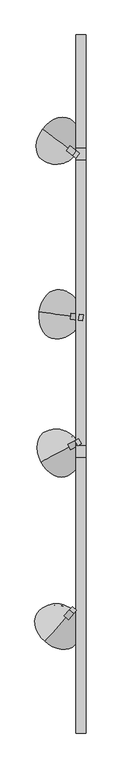
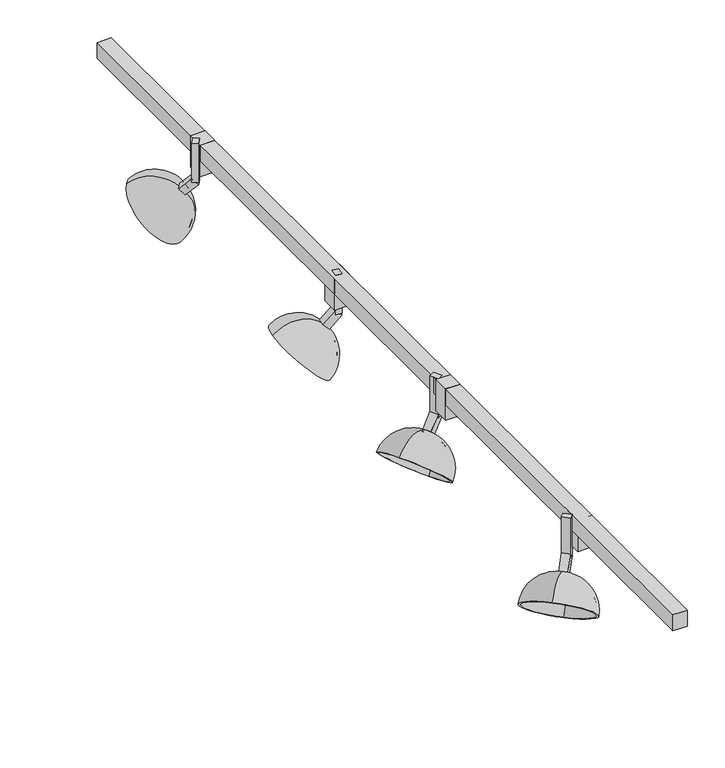
"""IFC4 building model written with IfcOpenShell, lengths in millimetres: light fixture geometry."""

from ifc_helpers import new_model, si_unit, point, frame, origin, place, context, project, spatial, polyline, circle_curve, ellipse_curve, trimmed, outline, extrude, source, transform, mapped, element, save
from ifc_brep_helpers import plane_surface, revolved_surface, advanced_brep


def light_fixture_020bd9e4(model_context):
    return source(origin(), model_context, "Body", "SolidModel", [
        extrude(outline(polyline([(21.1742761, 368.065558), (22.8812651, 380.6503181), (31.7800344, 379.4432947), (30.0730454, 366.8585345), (21.1742761, 368.065558)])), frame((0.0, 0.0, 2374.9), z_axis=(0.0, 0.0, 1.0), x_axis=(1.0, 0.0, 0.0)), (0.0, 0.0, 1.0), 63.5),
        extrude(outline(polyline([(0.0, 12.7), (25.4, 12.7), (25.4, 1e-07), (0.0, 0.0), (0.0, 12.7)])), frame((31.7800344, 379.4432947, 2371.9400614), z_axis=(-0.7006904927370674, 0.09504121941494607, 0.7071067811865517), x_axis=(-0.7006904927370755, 0.09504121941494717, -0.7071067811865435)), (0.0, 0.0, 1.0), 12.7),
        advanced_brep(
        [(10.9948777, 375.8544327, 2356.3160112), (10.9948777, 375.8544327, 2284.1890069), (-64.9270306, 386.1524328, 2360.8061393), (6.5454931, 376.4579445, 2360.8061393), (8.6290006, 376.1753388, 2353.9284695), (4.179616, 376.7788506, 2358.4185976), (8.6290006, 376.1753388, 2286.5765486), (-62.5611535, 385.8315267, 2358.4185976)],
        [
            (0, 1, circle_curve(frame((-24.7413841, 380.7016769, 2320.252509), z_axis=(0.13440858148108553, 0.9909259978546546, 0.0), x_axis=(-0.7006904927370693, 0.09504121941493318, 0.7071067811865517)), 51.0014938)),
            (1, 2, circle_curve(frame((-26.9660764, 381.0034328, 2322.4975731), z_axis=(0.7006904927370761, -0.09504121941494727, 0.707106781186543), x_axis=(-0.7006904927370676, 0.09504121941494285, 0.707106781186552)), 54.1764938)),
            (2, 3, circle_curve(frame((-29.1907687, 381.3051886, 2324.7426371), z_axis=(0.13440858148109247, 0.9909259978546537, 0.0), x_axis=(0.7006904927370673, -0.0950412194149429, -0.7071067811865523)), 51.0014938)),
            (3, 0, circle_curve(frame((8.7701854, 376.1561886, 2358.5610752), z_axis=(-0.7006904927370761, 0.09504121941494727, -0.707106781186543), x_axis=(-0.7006904927370676, 0.09504121941494285, 0.707106781186552)), 3.175)),
            (4, 0),
            (3, 5),
            (5, 4, circle_curve(frame((6.4043083, 376.4770947, 2356.1735335), z_axis=(-0.7006904927370761, 0.09504121941494727, -0.707106781186543), x_axis=(-0.7006904927370676, 0.09504121941494285, 0.707106781186552)), 3.175)),
            (6, 4, circle_curve(frame((-24.7413841, 380.7016769, 2320.252509), z_axis=(-0.13440858148109364, -0.9909259978546536, 0.0), x_axis=(-0.7006904927370677, 0.09504121941494462, 0.7071067811865517)), 47.625)),
            (5, 7, circle_curve(frame((-29.1907687, 381.3051886, 2324.7426371), z_axis=(-0.13440858148109247, -0.9909259978546537, 0.0), x_axis=(0.7006904927370673, -0.0950412194149429, -0.7071067811865523)), 47.625)),
            (7, 6, circle_curve(frame((-26.9660764, 381.0034328, 2322.4975731), z_axis=(-0.7006904927370761, 0.09504121941494727, -0.707106781186543), x_axis=(-0.7006904927370676, 0.09504121941494285, 0.707106781186552)), 50.8)),
            (1, 6),
            (7, 2),
            (2, 1, circle_curve(frame((-26.9660764, 381.0034328, 2322.4975731), z_axis=(0.7006904927370761, -0.09504121941494727, 0.707106781186543), x_axis=(0.7006904927370672, -0.09504121941494595, -0.707106781186552)), 54.1764938)),
            (0, 3, circle_curve(frame((8.7701854, 376.1561886, 2358.5610752), z_axis=(-0.7006904927370761, 0.09504121941494727, -0.707106781186543), x_axis=(0.7006904927370672, -0.09504121941494595, -0.707106781186552)), 3.175)),
            (4, 5, circle_curve(frame((6.4043083, 376.4770947, 2356.1735335), z_axis=(-0.7006904927370761, 0.09504121941494727, -0.707106781186543), x_axis=(0.7006904927370672, -0.09504121941494595, -0.707106781186552)), 3.175)),
            (6, 7, circle_curve(frame((-26.9660764, 381.0034328, 2322.4975731), z_axis=(-0.7006904927370761, 0.09504121941494727, -0.707106781186543), x_axis=(0.7006904927370672, -0.09504121941494595, -0.707106781186552)), 50.8)),
        ],
        [
            revolved_surface(trimmed(ellipse_curve(frame((-29.1907687, 381.3051886, 2324.7426371), z_axis=(0.13440858148109247, 0.9909259978546537, 0.0), x_axis=(0.7006904927370673, -0.0950412194149429, -0.7071067811865523)), 51.0014938, 51.0014938), [point((-64.9270306, 386.1524328, 2360.8061393))], [point((6.5454931, 376.4579445, 2360.8061393))], True, "CARTESIAN"), (-1664.2890037, 603.0888888, 670.1815264), (0.7006904927370761, -0.09504121941494727, 0.707106781186543)),
            revolved_surface(polyline([(6.5454931547435535, 376.45794451341686, 2360.8061392475574), (4.179615993413563, 376.77885060923165, 2358.4185975275377)]), (-1664.2890037, 603.0888888, 670.1815264), (0.7006904927370761, -0.09504121941494727, 0.707106781186543)),
            revolved_surface(trimmed(ellipse_curve(frame((-29.1907687, 381.3051886, 2324.7426371), z_axis=(-0.13440858148109247, -0.9909259978546537, 0.0), x_axis=(0.7006904927370673, -0.0950412194149429, -0.7071067811865523)), 47.625, 47.625), [point((4.179616, 376.7788506, 2358.4185976))], [point((-62.5611535, 385.8315267, 2358.4185976))], True, "CARTESIAN"), (-1664.2890037, 603.0888888, 670.1815264), (0.7006904927370761, -0.09504121941494727, 0.707106781186543)),
            plane_surface(frame((-26.9660764, 381.0034328, 2322.4975731), z_axis=(-0.700690492737076, 0.09504121941494724, -0.7071067811865432), x_axis=(-0.7006904927370676, 0.09504121941494285, 0.707106781186552))),
            revolved_surface(trimmed(ellipse_curve(frame((-24.7413841, 380.7016769, 2320.252509), z_axis=(-0.13440858148109466, -0.9909259978546534, 0.0), x_axis=(-0.7006904927370675, 0.09504121941494607, 0.7071067811865517)), 51.0014938, 51.0014938), [point((10.9948777, 375.8544327, 2284.1890069))], [point((10.9948777, 375.8544327, 2356.3160112))], True, "CARTESIAN"), (-1664.2890037, 603.0888888, 670.1815264), (0.7006904927370761, -0.09504121941494727, 0.707106781186543)),
            revolved_surface(polyline([(10.994877783624133, 375.85443277013206, 2356.316011187023), (8.629000622294143, 376.17533886594686, 2353.928469467003)]), (-1664.2890037, 603.0888888, 670.1815264), (0.7006904927370761, -0.09504121941494727, 0.707106781186543)),
            revolved_surface(trimmed(ellipse_curve(frame((-24.7413841, 380.7016769, 2320.252509), z_axis=(0.13440858148109466, 0.9909259978546534, 0.0), x_axis=(-0.7006904927370675, 0.09504121941494607, 0.7071067811865517)), 47.625, 47.625), [point((8.6290006, 376.1753388, 2353.9284695))], [point((8.6290006, 376.1753388, 2286.5765486))], True, "CARTESIAN"), (-1664.2890037, 603.0888888, 670.1815264), (0.7006904927370761, -0.09504121941494727, 0.707106781186543)),
            plane_surface(frame((-26.9660764, 381.0034328, 2322.4975731), z_axis=(-0.700690492737076, 0.09504121941494725, -0.7071067811865432), x_axis=(0.7006904927370672, -0.09504121941494595, -0.707106781186552))),
        ],
        [
            (0, [[1, 2, 3, 4]]),
            (1, [[5, -4, 6, 7]]),
            (2, [[8, -7, 9, 10]]),
            (3, [[11, -10, 12, -2]]),
            (4, [[-3, 13, -1, 14]]),
            (5, [[-6, -14, -5, 15]]),
            (6, [[-9, -15, -8, 16]]),
            (7, [[-12, -16, -11, -13]]),
        ],
    ),
        extrude(outline(polyline([(1.4066547, -263.8270711), (7.4156189, -257.1534402), (16.8535582, -265.6513989), (10.844594, -272.3250298), (1.4066547, -263.8270711)])), frame((0.0, 0.0, 2374.9), z_axis=(0.0, 0.0, 1.0), x_axis=(1.0, 0.0, 0.0)), (0.0, 0.0, 1.0), 63.5),
        extrude(outline(polyline([(12.7, -1e-07), (12.7, -12.7000001), (0.0, -12.7), (0.0, 0.0), (12.7, -1e-07)])), frame((-10.6112738, -277.1743328, 2362.9598052), z_axis=(0.4731467892558183, 0.5254827454987617, 0.7071067811865434), x_axis=(0.4731467892558127, 0.5254827454987554, -0.7071067811865519)), (0.0, 0.0, 1.0), 25.4),
        advanced_brep(
        [(-1.3244237, -276.3501671, 2356.3160112), (-4.3289058, -279.6869825, 2360.8061393), (-52.591292, -333.2877925, 2360.8061393), (-1.3244237, -276.3501671, 2284.1890069), (-2.9220009, -278.1244563, 2353.9284695), (-5.9264831, -281.4612717, 2358.4185976), (-2.9220009, -278.1244563, 2286.5765486), (-50.9937147, -331.5135033, 2358.4185976)],
        [
            (0, 1, circle_curve(frame((-2.8266648, -278.0185748, 2358.5610752), z_axis=(-0.47314678925581866, -0.5254827454987621, -0.7071067811865429), x_axis=(-0.4731467892558151, -0.5254827454987533, 0.707106781186552)), 3.175)),
            (1, 2, circle_curve(frame((-28.4600989, -306.4873875, 2324.7426371), z_axis=(0.7431448254773926, -0.6691306063588609, 0.0), x_axis=(0.4731467892558148, 0.5254827454987532, -0.7071067811865523)), 51.0014938)),
            (2, 3, circle_curve(frame((-26.9578578, -304.8189798, 2322.4975731), z_axis=(0.47314678925581866, 0.5254827454987621, 0.7071067811865429), x_axis=(-0.4731467892558151, -0.5254827454987533, 0.707106781186552)), 54.1764938)),
            (3, 0, circle_curve(frame((-25.4556168, -303.1505721, 2320.252509), z_axis=(0.7431448254773907, -0.669130606358863, 0.0), x_axis=(-0.4731467892558183, -0.5254827454987508, 0.7071067811865517)), 51.0014938)),
            (4, 5, circle_curve(frame((-4.424242, -279.792864, 2356.1735335), z_axis=(-0.47314678925581866, -0.5254827454987621, -0.7071067811865429), x_axis=(-0.4731467892558151, -0.5254827454987533, 0.707106781186552)), 3.175)),
            (5, 1),
            (0, 4),
            (6, 7, circle_curve(frame((-26.9578578, -304.8189798, 2322.4975731), z_axis=(-0.47314678925581866, -0.5254827454987621, -0.7071067811865429), x_axis=(-0.4731467892558151, -0.5254827454987533, 0.707106781186552)), 50.8)),
            (7, 5, circle_curve(frame((-28.4600989, -306.4873875, 2324.7426371), z_axis=(-0.7431448254773926, 0.6691306063588609, 0.0), x_axis=(0.4731467892558148, 0.5254827454987532, -0.7071067811865523)), 47.625)),
            (4, 6, circle_curve(frame((-25.4556168, -303.1505721, 2320.252509), z_axis=(-0.7431448254773879, 0.669130606358866, 0.0), x_axis=(-0.4731467892558226, -0.525482745498747, 0.7071067811865517)), 47.625)),
            (2, 7),
            (6, 3),
            (1, 0, circle_curve(frame((-2.8266648, -278.0185748, 2358.5610752), z_axis=(-0.47314678925581866, -0.5254827454987621, -0.7071067811865429), x_axis=(0.4731467892558128, 0.5254827454987553, -0.707106781186552)), 3.175)),
            (3, 2, circle_curve(frame((-26.9578578, -304.8189798, 2322.4975731), z_axis=(0.47314678925581866, 0.5254827454987621, 0.7071067811865429), x_axis=(0.4731467892558128, 0.5254827454987553, -0.707106781186552)), 54.1764938)),
            (5, 4, circle_curve(frame((-4.424242, -279.792864, 2356.1735335), z_axis=(-0.47314678925581866, -0.5254827454987621, -0.7071067811865429), x_axis=(0.4731467892558128, 0.5254827454987553, -0.707106781186552)), 3.175)),
            (7, 6, circle_curve(frame((-26.9578578, -304.8189798, 2322.4975731), z_axis=(-0.47314678925581866, -0.5254827454987621, -0.7071067811865429), x_axis=(0.4731467892558128, 0.5254827454987553, -0.707106781186552)), 50.8)),
        ],
        [
            revolved_surface(trimmed(ellipse_curve(frame((-28.4600989, -306.4873875, 2324.7426371), z_axis=(-0.7431448254773926, 0.6691306063588609, 0.0), x_axis=(0.4731467892558148, 0.5254827454987532, -0.7071067811865523)), 51.0014938, 51.0014938), [point((-52.591292, -333.2877925, 2360.8061393))], [point((-4.3289058, -279.6869825, 2360.8061393))], True, "CARTESIAN"), (-1132.573096, -1532.7290999, 670.1815264), (0.47314678925581877, 0.5254827454987622, 0.707106781186543)),
            revolved_surface(polyline([(-4.32890578322008, -279.68698246191775, 2360.806139260473), (-5.926483028103803, -281.46127174349203, 2358.418597531397)]), (-1132.573096, -1532.7290999, 670.1815264), (0.47314678925581877, 0.5254827454987622, 0.707106781186543)),
            revolved_surface(trimmed(ellipse_curve(frame((-28.4600989, -306.4873875, 2324.7426371), z_axis=(0.7431448254773926, -0.6691306063588609, 0.0), x_axis=(0.4731467892558148, 0.5254827454987532, -0.7071067811865523)), 47.625, 47.625), [point((-5.9264831, -281.4612717, 2358.4185976))], [point((-50.9937147, -331.5135033, 2358.4185976))], True, "CARTESIAN"), (-1132.573096, -1532.7290999, 670.1815264), (0.47314678925581877, 0.5254827454987622, 0.707106781186543)),
            plane_surface(frame((-26.9578578, -304.8189798, 2322.4975731), z_axis=(-0.4731467892558184, -0.5254827454987618, -0.7071067811865434), x_axis=(-0.473146789255815, -0.5254827454987532, 0.7071067811865519))),
            revolved_surface(trimmed(ellipse_curve(frame((-25.4556168, -303.1505721, 2320.252509), z_axis=(0.7431448254773941, -0.6691306063588593, 0.0), x_axis=(-0.473146789255813, -0.5254827454987556, 0.7071067811865517)), 51.0014938, 51.0014938), [point((-1.3244237, -276.3501671, 2284.1890069))], [point((-1.3244237, -276.3501671, 2356.3160112))], True, "CARTESIAN"), (-1132.573096, -1532.7290999, 670.1815264), (0.47314678925581877, 0.5254827454987622, 0.707106781186543)),
            revolved_surface(polyline([(-1.3244236714456292, -276.35016702800044, 2356.3160111999387), (-2.9220009163293525, -278.1244563095747, 2353.9284694708626)]), (-1132.573096, -1532.7290999, 670.1815264), (0.47314678925581877, 0.5254827454987622, 0.707106781186543)),
            revolved_surface(trimmed(ellipse_curve(frame((-25.4556168, -303.1505721, 2320.252509), z_axis=(-0.7431448254773941, 0.6691306063588593, 0.0), x_axis=(-0.473146789255813, -0.5254827454987556, 0.7071067811865517)), 47.625, 47.625), [point((-2.9220009, -278.1244563, 2353.9284695))], [point((-2.9220009, -278.1244563, 2286.5765486))], True, "CARTESIAN"), (-1132.573096, -1532.7290999, 670.1815264), (0.47314678925581877, 0.5254827454987622, 0.707106781186543)),
            plane_surface(frame((-26.9578578, -304.8189798, 2322.4975731), z_axis=(-0.4731467892558184, -0.5254827454987617, -0.7071067811865432), x_axis=(0.4731467892558127, 0.5254827454987552, -0.7071067811865519))),
        ],
        [
            (0, [[1, 2, 3, 4]]),
            (1, [[5, 6, -1, 7]]),
            (2, [[8, 9, -5, 10]]),
            (3, [[-3, 11, -8, 12]]),
            (4, [[13, -4, 14, -2]]),
            (5, [[15, -7, -13, -6]]),
            (6, [[16, -10, -15, -9]]),
            (7, [[-14, -12, -16, -11]]),
        ],
    ),
        extrude(outline(polyline([(13.5830052, 105.1858771), (21.4933982, 109.4368398), (27.5051673, 98.2498548), (19.5947744, 93.9988921), (13.5830052, 105.1858771)])), frame((0.0, 0.0, 2374.9), z_axis=(0.0, 0.0, 1.0), x_axis=(1.0, 0.0, 0.0)), (0.0, 0.0, 1.0), 63.5),
        extrude(outline(polyline([(12.7, 0.0), (12.6999999, -12.7), (0.0, -12.7), (0.0, 0.0), (12.7, 0.0)])), frame((-2.2377806, 96.6839517, 2362.9598052), z_axis=(0.6228655838762266, 0.33472147290326887, 0.7071067811865431), x_axis=(0.6228655838762187, 0.33472147290326465, -0.707106781186552)), (0.0, 0.0, 1.0), 25.4),
        advanced_brep(
        [(6.781408, 94.3219461, 2356.3160112), (2.8262115, 92.1964647, 2360.8061393), (-60.707939, 58.0538745, 2360.8061393), (6.781408, 94.3219461, 2284.1890069), (4.6783062, 93.1917611, 2353.9284695), (0.7231097, 91.0662797, 2358.4185976), (4.6783062, 93.1917611, 2286.5765486), (-58.6048372, 59.1840595, 2358.4185976)],
        [
            (0, 1, circle_curve(frame((4.8038098, 93.2592054, 2358.5610752), z_axis=(-0.6228655838762266, -0.33472147290326887, -0.707106781186543), x_axis=(-0.6228655838762202, -0.33472147290326176, 0.707106781186552)), 3.175)),
            (1, 2, circle_curve(frame((-28.9408637, 75.1251696, 2324.7426371), z_axis=(0.4733676465972963, -0.8808649562531917, 0.0), x_axis=(0.6228655838762199, 0.33472147290326165, -0.7071067811865523)), 51.0014938)),
            (2, 3, circle_curve(frame((-26.9632655, 76.1879103, 2322.4975731), z_axis=(0.6228655838762266, 0.33472147290326887, 0.707106781186543), x_axis=(-0.6228655838762202, -0.33472147290326176, 0.707106781186552)), 54.1764938)),
            (3, 0, circle_curve(frame((-24.9856673, 77.250651, 2320.252509), z_axis=(0.47336764659729375, -0.880864956253193, 0.0), x_axis=(-0.6228655838762223, -0.3347214729032584, 0.7071067811865517)), 51.0014938)),
            (4, 5, circle_curve(frame((2.7007079, 92.1290204, 2356.1735335), z_axis=(-0.6228655838762266, -0.33472147290326887, -0.707106781186543), x_axis=(-0.6228655838762202, -0.33472147290326176, 0.707106781186552)), 3.175)),
            (5, 1),
            (0, 4),
            (6, 7, circle_curve(frame((-26.9632655, 76.1879103, 2322.4975731), z_axis=(-0.6228655838762266, -0.33472147290326887, -0.707106781186543), x_axis=(-0.6228655838762202, -0.33472147290326176, 0.707106781186552)), 50.8)),
            (7, 5, circle_curve(frame((-28.9408637, 75.1251696, 2324.7426371), z_axis=(-0.4733676465972963, 0.8808649562531917, 0.0), x_axis=(0.6228655838762199, 0.33472147290326165, -0.7071067811865523)), 47.625)),
            (4, 6, circle_curve(frame((-24.9856673, 77.250651, 2320.252509), z_axis=(-0.47336764659729014, 0.880864956253195, 0.0), x_axis=(-0.622865583876225, -0.33472147290325327, 0.7071067811865517)), 47.625)),
            (2, 7),
            (6, 3),
            (1, 0, circle_curve(frame((4.8038098, 93.2592054, 2358.5610752), z_axis=(-0.6228655838762266, -0.33472147290326887, -0.707106781186543), x_axis=(0.6228655838762186, 0.3347214729032645, -0.707106781186552)), 3.175)),
            (3, 2, circle_curve(frame((-26.9632655, 76.1879103, 2322.4975731), z_axis=(0.6228655838762266, 0.33472147290326887, 0.707106781186543), x_axis=(0.6228655838762186, 0.3347214729032645, -0.707106781186552)), 54.1764938)),
            (5, 4, circle_curve(frame((2.7007079, 92.1290204, 2356.1735335), z_axis=(-0.6228655838762266, -0.33472147290326887, -0.707106781186543), x_axis=(0.6228655838762186, 0.3347214729032645, -0.707106781186552)), 3.175)),
            (7, 6, circle_curve(frame((-26.9632655, 76.1879103, 2322.4975731), z_axis=(-0.6228655838762266, -0.33472147290326887, -0.707106781186543), x_axis=(0.6228655838762186, 0.3347214729032645, -0.707106781186552)), 50.8)),
        ],
        [
            revolved_surface(trimmed(ellipse_curve(frame((-28.9408637, 75.1251696, 2324.7426371), z_axis=(-0.4733676465972963, 0.8808649562531917, 0.0), x_axis=(0.6228655838762199, 0.33472147290326165, -0.7071067811865523)), 51.0014938, 51.0014938), [point((-60.707939, 58.0538745, 2360.8061393))], [point((2.8262115, 92.1964647, 2360.8061393))], True, "CARTESIAN"), (-1482.4305676, -705.9650482, 670.1815264), (0.6228655838762266, 0.33472147290326887, 0.707106781186543)),
            revolved_surface(polyline([(2.8262115781592456, 92.19646470977375, 2360.8061392466757), (0.723109722145864, 91.06627969211786, 2358.418597500255)]), (-1482.4305676, -705.9650482, 670.1815264), (0.6228655838762266, 0.33472147290326887, 0.707106781186543)),
            revolved_surface(trimmed(ellipse_curve(frame((-28.9408637, 75.1251696, 2324.7426371), z_axis=(0.4733676465972963, -0.8808649562531917, 0.0), x_axis=(0.6228655838762199, 0.33472147290326165, -0.7071067811865523)), 47.625, 47.625), [point((0.7231097, 91.0662797, 2358.4185976))], [point((-58.6048372, 59.1840595, 2358.4185976))], True, "CARTESIAN"), (-1482.4305676, -705.9650482, 670.1815264), (0.6228655838762266, 0.33472147290326887, 0.707106781186543)),
            plane_surface(frame((-26.9632655, 76.1879103, 2322.4975731), z_axis=(-0.6228655838762266, -0.33472147290326887, -0.707106781186543), x_axis=(-0.6228655838762202, -0.33472147290326176, 0.707106781186552))),
            revolved_surface(trimmed(ellipse_curve(frame((-24.9856673, 77.250651, 2320.252509), z_axis=(0.47336764659729824, -0.8808649562531906, 0.0), x_axis=(-0.6228655838762188, -0.3347214729032647, 0.7071067811865517)), 51.0014938, 51.0014938), [point((6.781408, 94.3219461, 2284.1890069))], [point((6.781408, 94.3219461, 2356.3160112))], True, "CARTESIAN"), (-1482.4305676, -705.9650482, 670.1815264), (0.6228655838762266, 0.33472147290326887, 0.707106781186543)),
            revolved_surface(polyline([(6.781408035773211, 94.32194606270957, 2356.316011186141), (4.678306179759829, 93.19176104505368, 2353.9284694397206)]), (-1482.4305676, -705.9650482, 670.1815264), (0.6228655838762266, 0.33472147290326887, 0.707106781186543)),
            revolved_surface(trimmed(ellipse_curve(frame((-24.9856673, 77.250651, 2320.252509), z_axis=(-0.47336764659729824, 0.8808649562531906, 0.0), x_axis=(-0.6228655838762188, -0.3347214729032647, 0.7071067811865517)), 47.625, 47.625), [point((4.6783062, 93.1917611, 2353.9284695))], [point((4.6783062, 93.1917611, 2286.5765486))], True, "CARTESIAN"), (-1482.4305676, -705.9650482, 670.1815264), (0.6228655838762266, 0.33472147290326887, 0.707106781186543)),
            plane_surface(frame((-26.9632655, 76.1879103, 2322.4975731), z_axis=(-0.6228655838762267, -0.3347214729032689, -0.707106781186543), x_axis=(0.6228655838762187, 0.33472147290326454, -0.7071067811865521))),
        ],
        [
            (0, [[1, 2, 3, 4]]),
            (1, [[5, 6, -1, 7]]),
            (2, [[8, 9, -5, 10]]),
            (3, [[-3, 11, -8, 12]]),
            (4, [[13, -4, 14, -2]]),
            (5, [[15, -7, -13, -6]]),
            (6, [[16, -10, -15, -9]]),
            (7, [[-14, -12, -16, -11]]),
        ],
    ),
        extrude(outline(polyline([(16.3468869, 737.3314735), (23.5188383, 731.9270204), (15.8757875, 721.7843495), (8.7038361, 727.1888025), (16.3468869, 737.3314735)])), frame((0.0, 0.0, 2374.9), z_axis=(0.0, 0.0, 1.0), x_axis=(1.0, 0.0, 0.0)), (0.0, 0.0, 1.0), 63.5),
        extrude(outline(polyline([(0.0, -12.6999999), (0.0, 0.0), (25.4, 0.0), (25.4, -12.7), (0.0, -12.6999999)])), frame((15.8757875, 721.7843495, 2371.9400614), z_axis=(-0.5647205848508035, 0.425547483890765, 0.7071067811865515), x_axis=(-0.5647205848508097, 0.4255474838907698, -0.7071067811865436)), (0.0, 0.0, 1.0), 12.7),
        advanced_brep(
        [(3.6334159, 738.9606996, 2356.3160112), (0.0474402, 741.6629261, 2360.8061393), (-57.5557467, 785.0700409, 2360.8061393), (3.6334159, 738.9606996, 2284.1890069), (1.7266403, 740.3975581, 2353.9284695), (-1.8593354, 743.0997846, 2358.4185976), (1.7266403, 740.3975581, 2286.5765486), (-55.6489711, 783.6331824, 2358.4185976)],
        [
            (0, 1, circle_curve(frame((1.8404281, 740.3118129, 2358.5610752), z_axis=(-0.5647205848508102, 0.42554748389077024, -0.7071067811865431), x_axis=(-0.564720584850801, 0.42554748389076724, 0.707106781186552)), 3.175)),
            (1, 2, circle_curve(frame((-28.7541532, 763.3664835, 2324.7426371), z_axis=(-0.6018150231520712, -0.7986355100472755, 0.0), x_axis=(0.5647205848508008, -0.425547483890767, -0.7071067811865523)), 51.0014938)),
            (2, 3, circle_curve(frame((-26.9611654, 762.0153702, 2322.4975731), z_axis=(0.5647205848508102, -0.42554748389077024, 0.7071067811865431), x_axis=(-0.564720584850801, 0.42554748389076724, 0.707106781186552)), 54.1764938)),
            (3, 0, circle_curve(frame((-25.1681775, 760.664257, 2320.252509), z_axis=(-0.6018150231520736, -0.7986355100472738, 0.0), x_axis=(-0.5647205848507988, 0.42554748389077063, 0.7071067811865517)), 51.0014938)),
            (4, 5, circle_curve(frame((-0.0663475, 741.7486713, 2356.1735335), z_axis=(-0.5647205848508102, 0.42554748389077024, -0.7071067811865431), x_axis=(-0.564720584850801, 0.42554748389076724, 0.707106781186552)), 3.175)),
            (5, 1),
            (0, 4),
            (6, 7, circle_curve(frame((-26.9611654, 762.0153702, 2322.4975731), z_axis=(-0.5647205848508102, 0.42554748389077024, -0.7071067811865431), x_axis=(-0.564720584850801, 0.42554748389076724, 0.707106781186552)), 50.8)),
            (7, 5, circle_curve(frame((-28.7541532, 763.3664835, 2324.7426371), z_axis=(0.6018150231520712, 0.7986355100472755, 0.0), x_axis=(0.5647205848508008, -0.425547483890767, -0.7071067811865523)), 47.625)),
            (4, 6, circle_curve(frame((-25.1681775, 760.664257, 2320.252509), z_axis=(0.6018150231520768, 0.7986355100472713, 0.0), x_axis=(-0.5647205848507953, 0.42554748389077524, 0.7071067811865517)), 47.625)),
            (2, 7),
            (6, 3),
            (1, 0, circle_curve(frame((1.8404281, 740.3118129, 2358.5610752), z_axis=(-0.5647205848508102, 0.42554748389077024, -0.7071067811865431), x_axis=(0.5647205848508029, -0.4255474838907648, -0.707106781186552)), 3.175)),
            (3, 2, circle_curve(frame((-26.9611654, 762.0153702, 2322.4975731), z_axis=(0.5647205848508102, -0.42554748389077024, 0.7071067811865431), x_axis=(0.5647205848508029, -0.4255474838907648, -0.707106781186552)), 54.1764938)),
            (5, 4, circle_curve(frame((-0.0663475, 741.7486713, 2356.1735335), z_axis=(-0.5647205848508102, 0.42554748389077024, -0.7071067811865431), x_axis=(0.5647205848508029, -0.4255474838907648, -0.707106781186552)), 3.175)),
            (7, 6, circle_curve(frame((-26.9611654, 762.0153702, 2322.4975731), z_axis=(-0.5647205848508102, 0.42554748389077024, -0.7071067811865431), x_axis=(0.5647205848508029, -0.4255474838907648, -0.707106781186552)), 50.8)),
        ],
        [
            revolved_surface(trimmed(ellipse_curve(frame((-28.7541532, 763.3664835, 2324.7426371), z_axis=(0.6018150231520712, 0.7986355100472755, 0.0), x_axis=(0.5647205848508008, -0.425547483890767, -0.7071067811865523)), 51.0014938, 51.0014938), [point((-57.5557467, 785.0700409, 2360.8061393))], [point((0.0474402, 741.6629261, 2360.8061393))], True, "CARTESIAN"), (-1346.559434, 1756.4039901, 670.1815264), (0.5647205848508101, -0.42554748389077013, 0.707106781186543)),
            revolved_surface(polyline([(0.047440266123430774, 741.6629261004426, 2360.8061392474574), (-1.8593353569269766, 743.0997845938296, 2358.4185974977327)]), (-1346.559434, 1756.4039901, 670.1815264), (0.5647205848508101, -0.42554748389077013, 0.707106781186543)),
            revolved_surface(trimmed(ellipse_curve(frame((-28.7541532, 763.3664835, 2324.7426371), z_axis=(-0.6018150231520712, -0.7986355100472755, 0.0), x_axis=(0.5647205848508008, -0.425547483890767, -0.7071067811865523)), 47.625, 47.625), [point((-1.8593354, 743.0997846, 2358.4185976))], [point((-55.6489711, 783.6331824, 2358.4185976))], True, "CARTESIAN"), (-1346.559434, 1756.4039901, 670.1815264), (0.5647205848508101, -0.42554748389077013, 0.707106781186543)),
            plane_surface(frame((-26.9611654, 762.0153702, 2322.4975731), z_axis=(-0.5647205848508103, 0.4255474838907702, -0.707106781186543), x_axis=(-0.5647205848508011, 0.4255474838907673, 0.7071067811865521))),
            revolved_surface(trimmed(ellipse_curve(frame((-25.1681775, 760.664257, 2320.252509), z_axis=(-0.6018150231520696, -0.7986355100472768, 0.0), x_axis=(-0.5647205848508031, 0.4255474838907649, 0.7071067811865517)), 51.0014938, 51.0014938), [point((3.6334159, 738.9606996, 2284.1890069))], [point((3.6334159, 738.9606996, 2356.3160112))], True, "CARTESIAN"), (-1346.559434, 1756.4039901, 670.1815264), (0.5647205848508101, -0.42554748389077013, 0.707106781186543)),
            revolved_surface(polyline([(3.6334159799262125, 738.9606995777361, 2356.316011186923), (1.726640356875805, 740.3975580711231, 2353.928469437198)]), (-1346.559434, 1756.4039901, 670.1815264), (0.5647205848508101, -0.42554748389077013, 0.707106781186543)),
            revolved_surface(trimmed(ellipse_curve(frame((-25.1681775, 760.664257, 2320.252509), z_axis=(0.6018150231520696, 0.7986355100472768, 0.0), x_axis=(-0.5647205848508031, 0.4255474838907649, 0.7071067811865517)), 47.625, 47.625), [point((1.7266403, 740.3975581, 2353.9284695))], [point((1.7266403, 740.3975581, 2286.5765486))], True, "CARTESIAN"), (-1346.559434, 1756.4039901, 670.1815264), (0.5647205848508101, -0.42554748389077013, 0.707106781186543)),
            plane_surface(frame((-26.9611654, 762.0153702, 2322.4975731), z_axis=(-0.5647205848508101, 0.42554748389077013, -0.707106781186543), x_axis=(0.5647205848508029, -0.4255474838907648, -0.707106781186552))),
        ],
        [
            (0, [[1, 2, 3, 4]]),
            (1, [[5, 6, -1, 7]]),
            (2, [[8, 9, -5, 10]]),
            (3, [[-3, 11, -8, 12]]),
            (4, [[13, -4, 14, -2]]),
            (5, [[15, -7, -13, -6]]),
            (6, [[16, -10, -15, -9]]),
            (7, [[-14, -12, -16, -11]]),
        ],
    ),
        extrude(outline(polyline([(37.8064362, 742.95), (37.8064362, 717.55), (16.1261801, 717.55), (16.1261801, 742.95), (37.8064362, 742.95)])), frame((0.0, 0.0, 2387.6), z_axis=(0.0, 0.0, 1.0), x_axis=(1.0, 0.0, 0.0)), (0.0, 0.0, 1.0), 50.8),
        extrude(outline(polyline([(37.8064362, 93.6625), (37.8064362, 68.2625), (16.1261801, 68.2625), (16.1261801, 93.6625), (37.8064362, 93.6625)])), frame((0.0, 0.0, 2387.6), z_axis=(0.0, 0.0, 1.0), x_axis=(1.0, 0.0, 0.0)), (0.0, 0.0, 1.0), 50.8),
        extrude(outline(polyline([(37.8064362, 990.6), (37.8064362, -533.4), (16.1261801, -533.4), (16.1261801, 990.6), (37.8064362, 990.6)])), frame((0.0, 0.0, 2413.0), z_axis=(0.0, 0.0, 1.0), x_axis=(1.0, 0.0, 0.0)), (0.0, 0.0, 1.0), 25.4),
        extrude(outline(polyline([(37.8064362, -255.5875), (37.8064362, -280.9875), (16.1261801, -280.9875), (16.1261801, -255.5875), (37.8064362, -255.5875)])), frame((0.0, 0.0, 2387.6), z_axis=(0.0, 0.0, 1.0), x_axis=(1.0, 0.0, 0.0)), (0.0, 0.0, 1.0), 50.8),
        extrude(outline(polyline([(37.8064362, 387.35), (37.8064362, 361.95), (16.1261801, 361.95), (16.1261801, 387.35), (37.8064362, 387.35)])), frame((0.0, 0.0, 2387.6), z_axis=(0.0, 0.0, 1.0), x_axis=(1.0, 0.0, 0.0)), (0.0, 0.0, 1.0), 50.8),
    ])


if __name__ == "__main__":
    model = new_model("IFC4")
    model_context = context("Model", 3, world=origin())
    ifc_project = project(units=[si_unit("LENGTHUNIT", "METRE", prefix="MILLI")], contexts=[model_context])
    site = spatial("IfcSite", under=ifc_project)
    building = spatial("IfcBuilding", under=site)
    placement = place(None, origin())
    light_fixture_shape = light_fixture_020bd9e4(model_context)
    element("IfcLightFixture", 1, at=placement, inside=building, context=model_context, shape_type="MappedRepresentation", body=[
        mapped(light_fixture_shape, transform((0.0, 0.0, 0.0), x_axis=(1.0, 0.0, 0.0), y_axis=(0.0, 1.0, 0.0), z_axis=(0.0, 0.0, 1.0))),
    ])
    save(model, "model.ifc")
